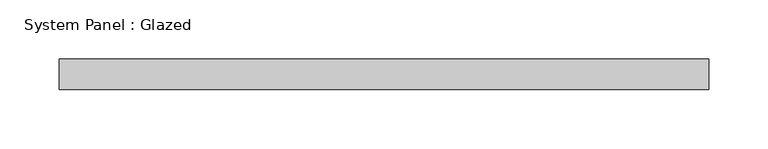
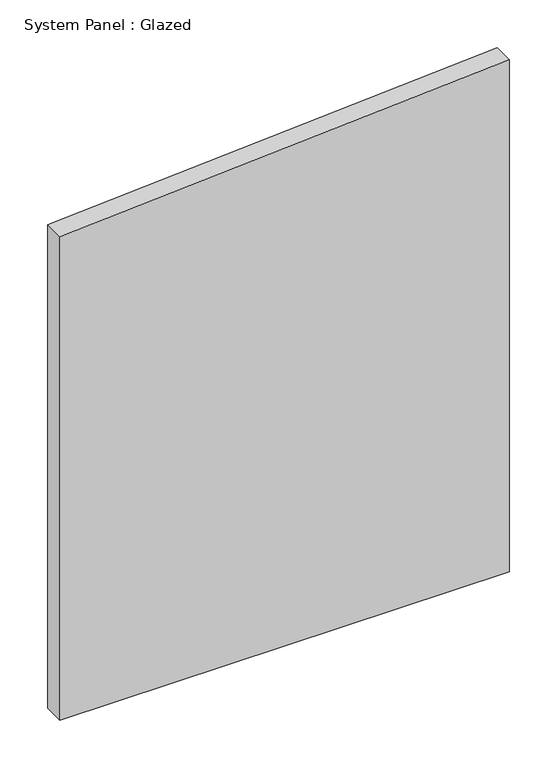
"""IFC4 building model written with IfcOpenShell, lengths in millimetres: plate geometry, System Panel : Glazed."""

from ifc_helpers import new_model, si_unit, frame, origin, place, context, project, spatial, polyline, outline, extrude, source, transform, mapped, element, save


def system_panel_glazed_0dc30a4f(model_context):
    return source(origin(), model_context, "Body", "SweptSolid", [
        extrude(outline(polyline([(0.0, -273.05), (0.0, 273.05), (657.3507174, 273.05), (621.2907042, -273.05), (0.0, -273.05)])), frame((0.0, 19.05, 0.0), z_axis=(0.0, 1.0, 0.0), x_axis=(0.0, 0.0, 1.0)), (0.0, 0.0, 1.0), 25.4),
    ])


if __name__ == "__main__":
    model = new_model("IFC4")
    model_context = context("Model", 3, world=origin())
    ifc_project = project(units=[si_unit("LENGTHUNIT", "METRE", prefix="MILLI")], contexts=[model_context])
    site = spatial("IfcSite", under=ifc_project)
    building = spatial("IfcBuilding", under=site)
    placement = place(None, origin())
    system_panel_glazed_shape = system_panel_glazed_0dc30a4f(model_context)
    element("IfcPlate", 1, ObjectType="System Panel : Glazed", at=placement, inside=building, context=model_context, shape_type="MappedRepresentation", body=[
        mapped(system_panel_glazed_shape, transform((0.0, 0.0, 0.0), x_axis=(1.0, 0.0, 0.0), y_axis=(0.0, 1.0, 0.0), z_axis=(0.0, 0.0, 1.0))),
    ])
    save(model, "model.ifc")
